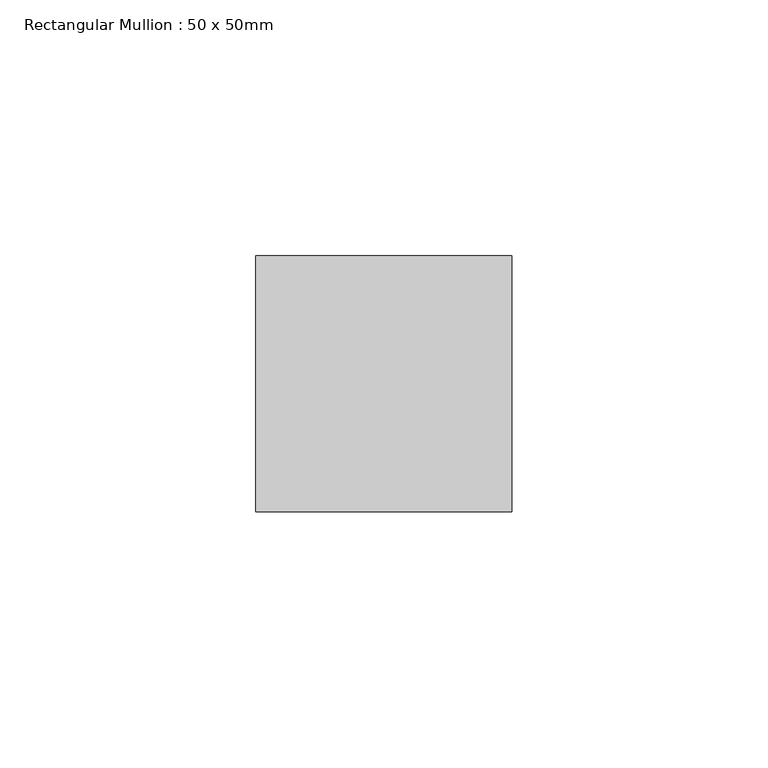
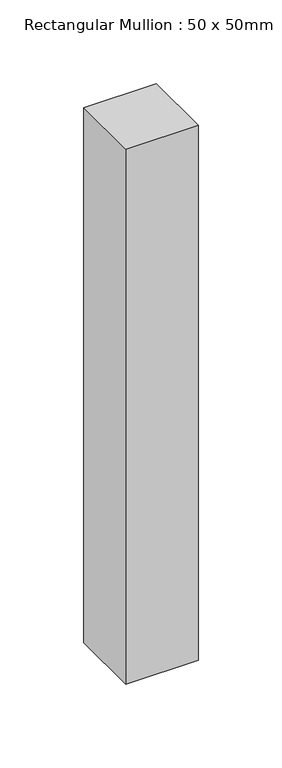
"""IFC4 building model written with IfcOpenShell, lengths in millimetres: member geometry, Rectangular Mullion : 50 x 50mm."""

from ifc_helpers import new_model, si_unit, frame, origin, place, context, project, spatial, polyline, outline, extrude, source, transform, mapped, element, save


def rectangular_mullion_50_x_50mm_ea3770cc(model_context):
    return source(origin(), model_context, "Body", "SweptSolid", [
        extrude(outline(polyline([(25.0, 50.0), (25.0, 0.0), (-25.0, 0.0), (-25.0, 50.0), (25.0, 50.0)])), frame((0.0, 0.0, -390.0), z_axis=(0.0, 0.0, 1.0), x_axis=(1.0, 0.0, 0.0)), (0.0, 0.0, 1.0), 390.0),
    ])


if __name__ == "__main__":
    model = new_model("IFC4")
    model_context = context("Model", 3, world=origin())
    ifc_project = project(units=[si_unit("LENGTHUNIT", "METRE", prefix="MILLI")], contexts=[model_context])
    site = spatial("IfcSite", under=ifc_project)
    building = spatial("IfcBuilding", under=site)
    placement = place(None, origin())
    rectangular_mullion_50_x_50mm_shape = rectangular_mullion_50_x_50mm_ea3770cc(model_context)
    element("IfcMember", 1, ObjectType="Rectangular Mullion : 50 x 50mm", at=placement, inside=building, context=model_context, shape_type="MappedRepresentation", body=[
        mapped(rectangular_mullion_50_x_50mm_shape, transform((0.0, 0.0, 0.0), x_axis=(1.0, 0.0, 0.0), y_axis=(0.0, 1.0, 0.0), z_axis=(0.0, 0.0, 1.0))),
    ])
    save(model, "model.ifc")
